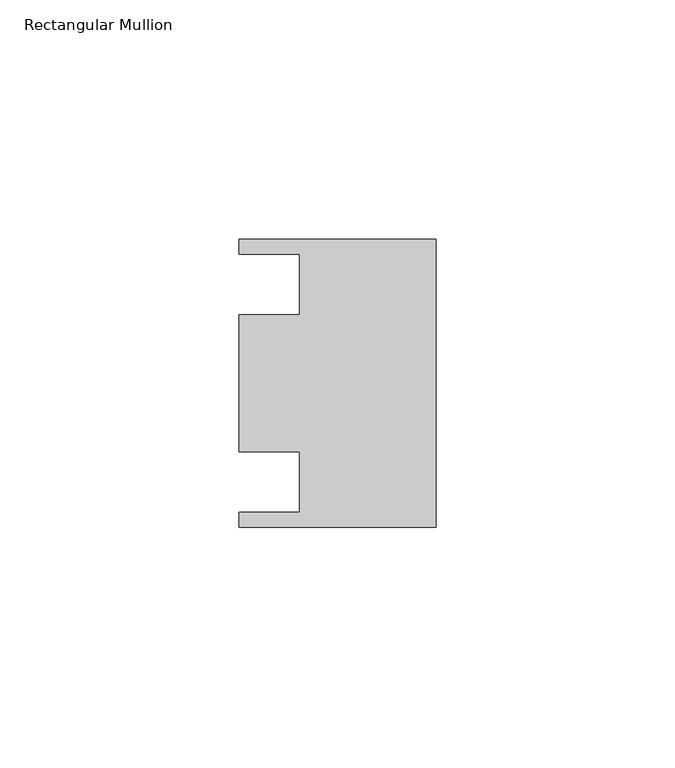
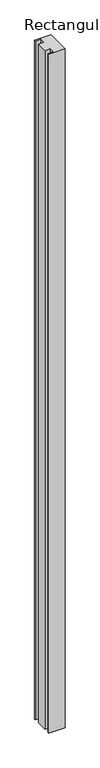
"""IFC4 building model written with IfcOpenShell, lengths in millimetres: member geometry, Rectangular Mullion."""

from ifc_helpers import new_model, si_unit, frame, origin, place, context, project, spatial, polyline, outline, extrude, source, transform, mapped, element, save


def rectangular_mullion_cb4edac1(model_context):
    return source(origin(), model_context, "Body", "SweptSolid", [
        extrude(outline(polyline([(0.0, 30.1625), (0.0, -30.1625), (-41.275, -30.1625), (-41.275, -26.9875), (-28.575, -26.9875), (-28.575, -14.2875), (-41.275, -14.2875), (-41.275, 14.2875), (-28.575, 14.2875), (-28.575, 26.9875), (-41.275, 26.9875), (-41.275, 30.1625), (0.0, 30.1625)])), frame((0.0, 0.0, -1787.525), z_axis=(0.0, 0.0, 1.0), x_axis=(1.0, 0.0, 0.0)), (0.0, 0.0, 1.0), 1787.525),
    ])


if __name__ == "__main__":
    model = new_model("IFC4")
    model_context = context("Model", 3, world=origin())
    ifc_project = project(units=[si_unit("LENGTHUNIT", "METRE", prefix="MILLI")], contexts=[model_context])
    site = spatial("IfcSite", under=ifc_project)
    building = spatial("IfcBuilding", under=site)
    placement = place(None, origin())
    rectangular_mullion_shape = rectangular_mullion_cb4edac1(model_context)
    element("IfcMember", 1, ObjectType="Rectangular Mullion", at=placement, inside=building, context=model_context, shape_type="MappedRepresentation", body=[
        mapped(rectangular_mullion_shape, transform((0.0, 0.0, 0.0), x_axis=(1.0, 0.0, 0.0), y_axis=(0.0, 1.0, 0.0), z_axis=(0.0, 0.0, 1.0))),
    ])
    save(model, "model.ifc")
